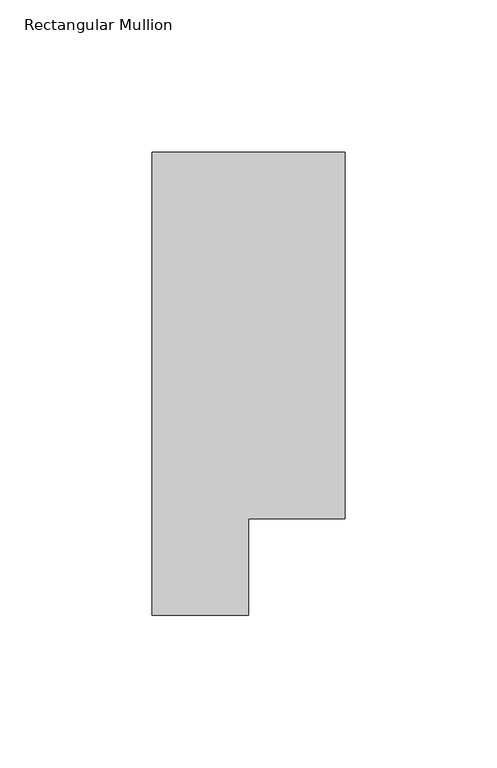
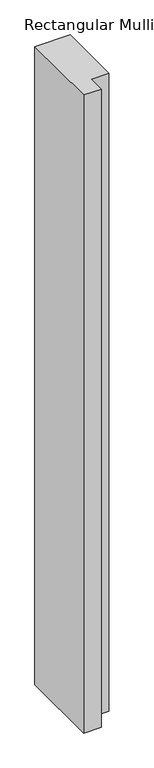
"""IFC4 building model written with IfcOpenShell, lengths in millimetres: member geometry, Rectangular Mullion."""

from ifc_helpers import new_model, si_unit, frame, origin, place, context, project, spatial, polyline, outline, extrude, source, transform, mapped, element, save


def rectangular_mullion_7f254750(model_context):
    return source(origin(), model_context, "Body", "SweptSolid", [
        extrude(outline(polyline([(31.75, 152.4), (31.75, 31.75), (0.0, 31.75), (0.0, 0.0), (-31.75, 0.0), (-31.75, 152.4), (31.75, 152.4)])), frame((0.0, 0.0, -1219.2), z_axis=(0.0, 0.0, 1.0), x_axis=(1.0, 0.0, 0.0)), (0.0, 0.0, 1.0), 1219.2),
    ])


if __name__ == "__main__":
    model = new_model("IFC4")
    model_context = context("Model", 3, world=origin())
    ifc_project = project(units=[si_unit("LENGTHUNIT", "METRE", prefix="MILLI")], contexts=[model_context])
    site = spatial("IfcSite", under=ifc_project)
    building = spatial("IfcBuilding", under=site)
    placement = place(None, origin())
    rectangular_mullion_shape = rectangular_mullion_7f254750(model_context)
    element("IfcMember", 1, ObjectType="Rectangular Mullion", at=placement, inside=building, context=model_context, shape_type="MappedRepresentation", body=[
        mapped(rectangular_mullion_shape, transform((0.0, 0.0, 0.0), x_axis=(1.0, 0.0, 0.0), y_axis=(0.0, 1.0, 0.0), z_axis=(0.0, 0.0, 1.0))),
    ])
    save(model, "model.ifc")
